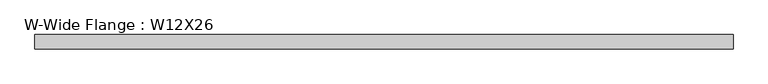
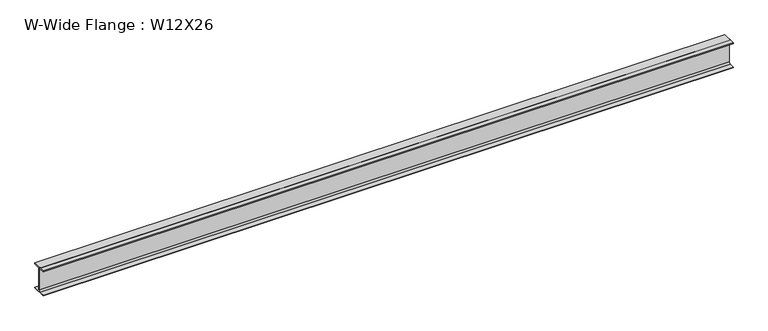
"""IFC4 building model written with IfcOpenShell, lengths in millimetres: beam geometry, W-Wide Flange : W12X26."""

from ifc_helpers import new_model, si_unit, point, frame, frame_2d, origin, place, context, project, spatial, polyline, circle_curve, trimmed, segment, composite_curve, outline, extrude, source, transform, mapped, element, save


def w_wide_flange_w12x26_d853cd04(model_context):
    return source(origin(), model_context, "Body", "SweptSolid", [
        extrude(outline(composite_curve([segment(polyline([(82.4011719, -145.5539063), (82.4011719, -155.178125), (-82.4011719, -155.178125), (-82.4011719, -145.5539063), (-20.2902344, -145.5539063)]), True, "CONTINUOUS"), segment(trimmed(circle_curve(frame_2d((-20.2902344, -128.190625)), 17.3632812), [point((-20.2902344, -145.5539063))], [point((-2.9269531, -128.190625))], True, "CARTESIAN"), True, "CONTINUOUS"), segment(polyline([(-2.9269531, -128.190625), (-2.9269531, 128.190625)]), True, "CONTINUOUS"), segment(trimmed(circle_curve(frame_2d((-20.2902344, 128.190625)), 17.3632812), [point((-2.9269531, 128.190625))], [point((-20.2902344, 145.5539062))], True, "CARTESIAN"), True, "CONTINUOUS"), segment(polyline([(-20.2902344, 145.5539062), (-82.4011719, 145.5539062), (-82.4011719, 155.178125), (82.4011719, 155.178125), (82.4011719, 145.5539062), (20.2902344, 145.5539062)]), True, "CONTINUOUS"), segment(trimmed(circle_curve(frame_2d((20.2902344, 128.190625)), 17.3632812), [point((20.2902344, 145.5539062))], [point((2.9269531, 128.190625))], True, "CARTESIAN"), True, "CONTINUOUS"), segment(polyline([(2.9269531, 128.190625), (2.9269531, -128.190625)]), True, "CONTINUOUS"), segment(trimmed(circle_curve(frame_2d((20.2902344, -128.190625)), 17.3632812), [point((2.9269531, -128.190625))], [point((20.2902344, -145.5539063))], True, "CARTESIAN"), True, "CONTINUOUS"), segment(polyline([(20.2902344, -145.5539063), (82.4011719, -145.5539063)]), True, "CONTINUOUS")], self_intersect=False)), frame((-4051.5480469, 0.0, 0.0), z_axis=(1.0, 0.0, 0.0), x_axis=(0.0, 1.0, 0.0)), (0.0, 0.0, 1.0), 8103.0960938),
    ])


if __name__ == "__main__":
    model = new_model("IFC4")
    model_context = context("Model", 3, world=origin())
    ifc_project = project(units=[si_unit("LENGTHUNIT", "METRE", prefix="MILLI")], contexts=[model_context])
    site = spatial("IfcSite", under=ifc_project)
    building = spatial("IfcBuilding", under=site)
    placement = place(None, origin())
    w_wide_flange_w12x26_shape = w_wide_flange_w12x26_d853cd04(model_context)
    element("IfcBeam", 1, ObjectType="W-Wide Flange : W12X26", at=placement, inside=building, context=model_context, shape_type="MappedRepresentation", body=[
        mapped(w_wide_flange_w12x26_shape, transform((0.0, 0.0, 0.0), x_axis=(1.0, 0.0, 0.0), y_axis=(0.0, 1.0, 0.0), z_axis=(0.0, 0.0, 1.0))),
    ])
    save(model, "model.ifc")
